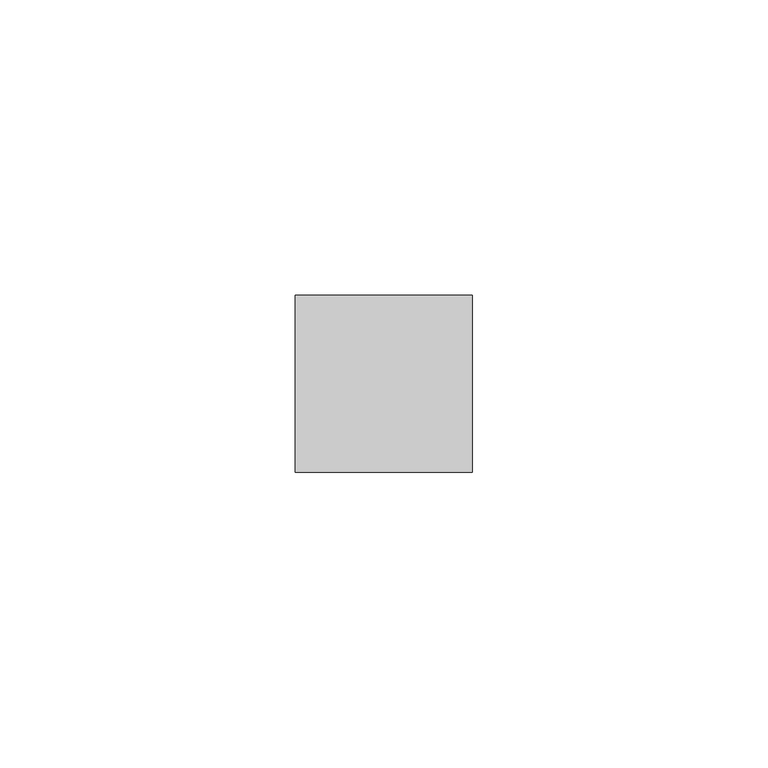
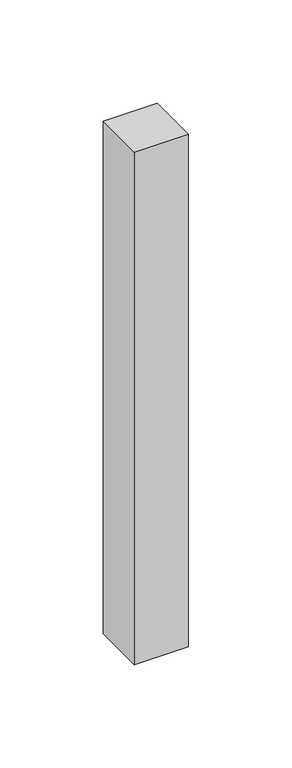
"""IFC4 building model written with IfcOpenShell, lengths in millimetres: member geometry."""

from ifc_helpers import new_model, si_unit, frame, origin, place, context, project, spatial, polyline, outline, extrude, source, transform, mapped, element, save


def member_bc300ea5(model_context):
    return source(origin(), model_context, "Body", "SweptSolid", [
        extrude(outline(polyline([(15.0, 15.0), (15.0, -15.0), (-15.0, -15.0), (-15.0, 15.0), (15.0, 15.0)])), frame((0.0, 0.0, -302.5), z_axis=(0.0, 0.0, 1.0), x_axis=(1.0, 0.0, 0.0)), (0.0, 0.0, 1.0), 302.5),
    ])


if __name__ == "__main__":
    model = new_model("IFC4")
    model_context = context("Model", 3, world=origin())
    ifc_project = project(units=[si_unit("LENGTHUNIT", "METRE", prefix="MILLI")], contexts=[model_context])
    site = spatial("IfcSite", under=ifc_project)
    building = spatial("IfcBuilding", under=site)
    placement = place(None, origin())
    member_shape = member_bc300ea5(model_context)
    element("IfcMember", 1, at=placement, inside=building, context=model_context, shape_type="MappedRepresentation", body=[
        mapped(member_shape, transform((0.0, 0.0, 0.0), x_axis=(1.0, 0.0, 0.0), y_axis=(0.0, 1.0, 0.0), z_axis=(0.0, 0.0, 1.0))),
    ])
    save(model, "model.ifc")
